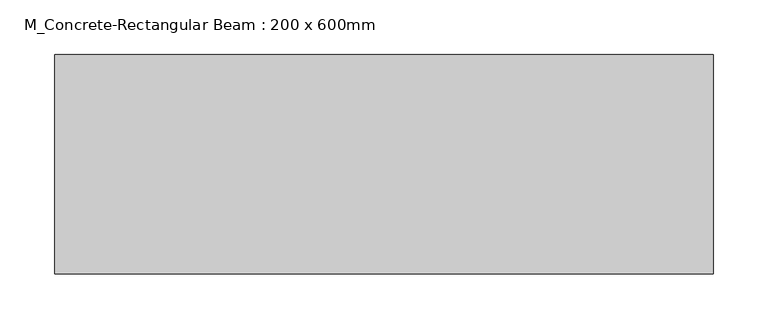
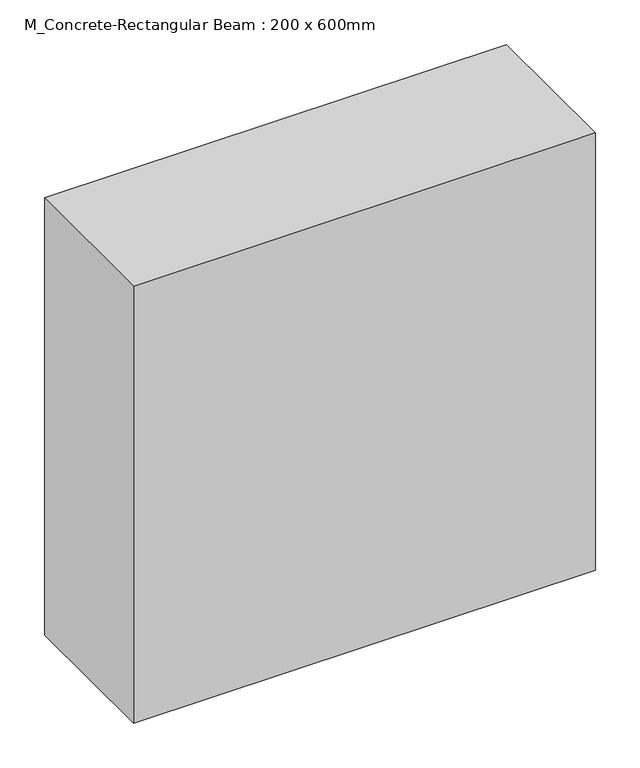
"""IFC4 building model written with IfcOpenShell, lengths in millimetres: beam geometry, M_Concrete-Rectangular Beam : 200 x 600mm."""

from ifc_helpers import new_model, si_unit, frame, origin, place, context, project, spatial, polyline, outline, extrude, source, transform, mapped, element, save


def m_concrete_rectangular_beam_200_x_600mm_9b75efd7(model_context):
    return source(origin(), model_context, "Body", "SweptSolid", [
        extrude(outline(polyline([(300.0, 100.0), (300.0, -100.0), (-300.0, -100.0), (-300.0, 100.0), (300.0, 100.0)])), frame((0.0, 0.0, -300.0), z_axis=(0.0, 0.0, 1.0), x_axis=(1.0, 0.0, 0.0)), (0.0, 0.0, 1.0), 600.0),
    ])


if __name__ == "__main__":
    model = new_model("IFC4")
    model_context = context("Model", 3, world=origin())
    ifc_project = project(units=[si_unit("LENGTHUNIT", "METRE", prefix="MILLI")], contexts=[model_context])
    site = spatial("IfcSite", under=ifc_project)
    building = spatial("IfcBuilding", under=site)
    placement = place(None, origin())
    m_concrete_rectangular_beam_200_x_600mm_shape = m_concrete_rectangular_beam_200_x_600mm_9b75efd7(model_context)
    element("IfcBeam", 1, ObjectType="M_Concrete-Rectangular Beam : 200 x 600mm", at=placement, inside=building, context=model_context, shape_type="MappedRepresentation", body=[
        mapped(m_concrete_rectangular_beam_200_x_600mm_shape, transform((0.0, 0.0, 0.0), x_axis=(1.0, 0.0, 0.0), y_axis=(0.0, 1.0, 0.0), z_axis=(0.0, 0.0, 1.0))),
    ])
    save(model, "model.ifc")
